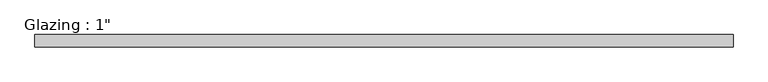
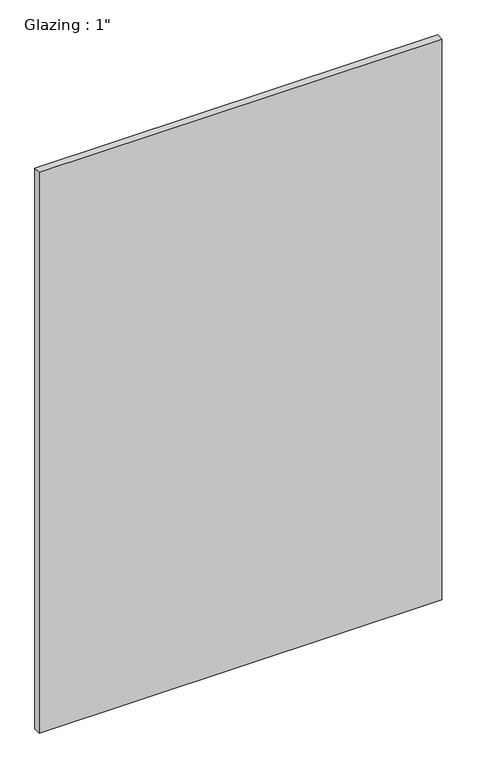
"""IFC4 building model written with IfcOpenShell, lengths in millimetres: plate geometry."""

from ifc_helpers import new_model, si_unit, origin, origin_with_axes, place, context, project, spatial, polyline, outline, extrude, source, transform, mapped, element, save


def plate_cb751277(model_context):
    return source(origin(), model_context, "Body", "SweptSolid", [
        extrude(outline(polyline([(710.5540109, -12.7), (-710.5540109, -12.7), (-710.5540109, 12.7), (710.5540109, 12.7), (710.5540109, -12.7)])), origin_with_axes(), (0.0, 0.0, 1.0), 2092.4262856),
    ])


if __name__ == "__main__":
    model = new_model("IFC4")
    model_context = context("Model", 3, world=origin())
    ifc_project = project(units=[si_unit("LENGTHUNIT", "METRE", prefix="MILLI")], contexts=[model_context])
    site = spatial("IfcSite", under=ifc_project)
    building = spatial("IfcBuilding", under=site)
    placement = place(None, origin())
    plate_shape = plate_cb751277(model_context)
    element("IfcPlate", 1, ObjectType="Glazing : 1\"", at=placement, inside=building, context=model_context, shape_type="MappedRepresentation", body=[
        mapped(plate_shape, transform((0.0, 0.0, 0.0), x_axis=(1.0, 0.0, 0.0), y_axis=(0.0, 1.0, 0.0), z_axis=(0.0, 0.0, 1.0))),
    ])
    save(model, "model.ifc")
